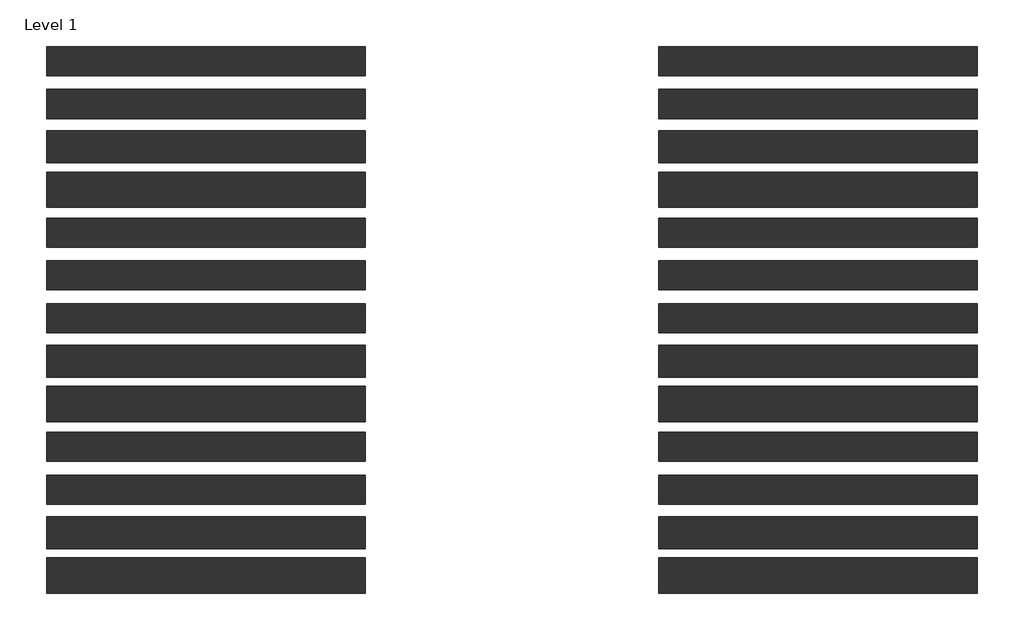
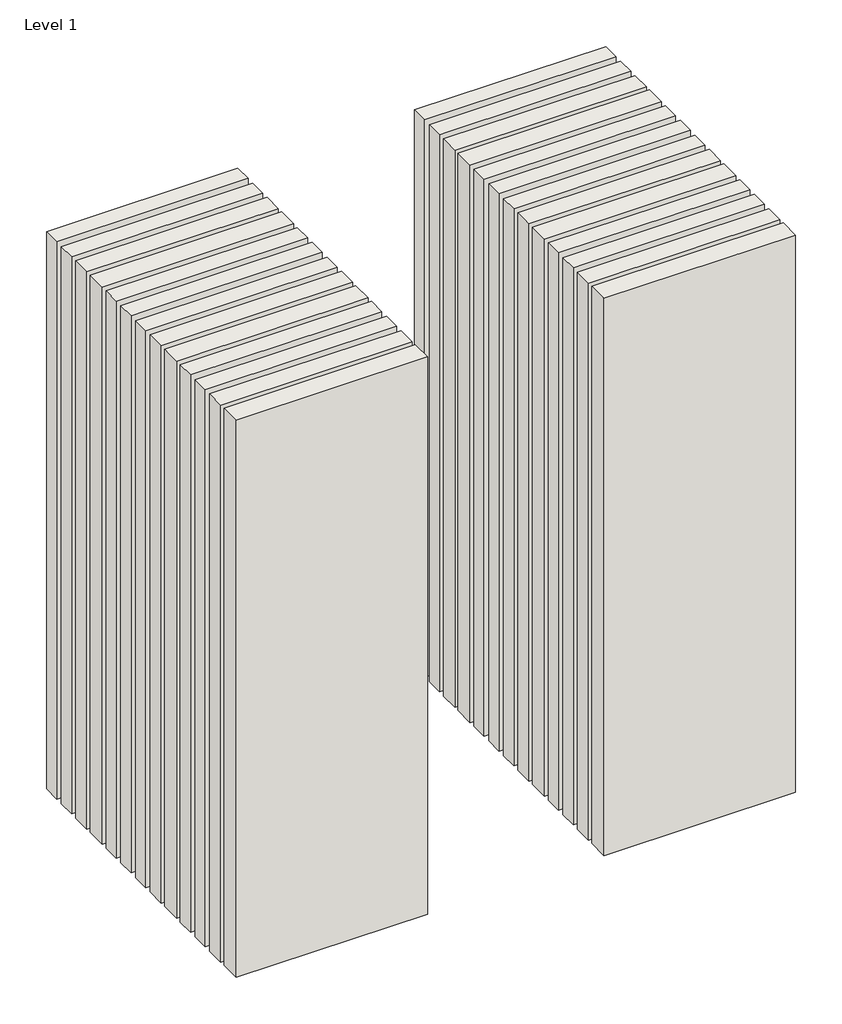
# One storey: 26 walls.
"""IFC4 building model written with IfcOpenShell, lengths in millimetres."""

import ifcopenshell
import ifcopenshell.guid

model = None  # the IFC model being written
_history = None  # IfcOwnerHistory: only IFC2X3 demands one
_inside = {}  # id of a spatial element -> (the spatial element, [elements in it])
_under = {}  # id of a project, library or spatial element -> (it, [spatial elements below it])
_declared = {}  # id of a project -> (the project, [libraries it declares])
_typed = {}  # id of a type object -> (the type object, [elements of that type])
_made_of = {}  # id of a material, layer set ... -> (it, [elements and type objects made of it])


def new_model(schema):
    """Start an empty IFC model of exactly this schema.

    Asked for "IFC4X3", IfcOpenShell would pick the latest addendum, in which some entities
    have other attributes; the version numbers below select the first issue.
    IFC2X3 requires an IfcOwnerHistory on every rooted entity: one is made here for all.
    """
    global model, _history
    if schema == "IFC4X3":
        model = ifcopenshell.file(schema_version=(4, 3, 0, 0))
    else:
        model = ifcopenshell.file(schema=schema)
    _inside.clear()
    _under.clear()
    _declared.clear()
    _typed.clear()
    _made_of.clear()
    _history = None
    if model.schema == "IFC2X3":
        org = make("IfcOrganization", Name="unknown")
        user = make(
            "IfcPersonAndOrganization",
            ThePerson=make("IfcPerson", FamilyName="unknown"),
            TheOrganization=org,
        )
        app = make(
            "IfcApplication",
            ApplicationDeveloper=org,
            Version="unknown",
            ApplicationFullName="unknown",
            ApplicationIdentifier="unknown",
        )
        _history = make(
            "IfcOwnerHistory",
            OwningUser=user,
            OwningApplication=app,
            ChangeAction="ADDED",
            CreationDate=0,
        )
    return model


def make(cls, **values):
    """One entity of the class cls with the attributes given. An attribute that is None is left unset."""
    return model.create_entity(
        cls, **{name: value for name, value in values.items() if value is not None}
    )


def rooted(cls, **values):
    """An entity with a GlobalId (a new one), such as an element, a storey or a relation."""
    return make(cls, GlobalId=ifcopenshell.guid.new(), OwnerHistory=_history, **values)


def si_unit(unit_type, name, prefix=None):
    """IfcSIUnit, for example si_unit("LENGTHUNIT", "METRE", prefix="MILLI")."""
    return make("IfcSIUnit", UnitType=unit_type, Prefix=prefix, Name=name)


def assignment(units):
    """IfcUnitAssignment: the units of a project."""
    return None if units is None else make("IfcUnitAssignment", Units=units)


def point(xyz):
    """IfcCartesianPoint."""
    return None if xyz is None else make("IfcCartesianPoint", Coordinates=xyz)


def direction(xyz):
    """IfcDirection."""
    return None if xyz is None else make("IfcDirection", DirectionRatios=xyz)


def frame(location, z_axis=None, x_axis=None):
    """IfcAxis2Placement3D, a coordinate frame: its origin and axes. An axis left out is left unset."""
    return make(
        "IfcAxis2Placement3D",
        Location=point(location),
        Axis=direction(z_axis),
        RefDirection=direction(x_axis),
    )


def origin():
    """The frame at (0, 0, 0) with its axes left unset."""
    return frame((0.0, 0.0, 0.0))


def origin_with_axes():
    """The frame at (0, 0, 0) with the z axis (0, 0, 1) and the x axis (1, 0, 0) written out."""
    return frame((0.0, 0.0, 0.0), z_axis=(0.0, 0.0, 1.0), x_axis=(1.0, 0.0, 0.0))


def place(relative_to, where):
    """IfcLocalPlacement: puts the frame where relative to a parent placement (None: the world)."""
    return make(
        "IfcLocalPlacement", PlacementRelTo=relative_to, RelativePlacement=where
    )


def context(
    kind, dimensions, precision=None, world=None, true_north=None, identifier=None
):
    """IfcGeometricRepresentationContext, for example the 3D "Model" context."""
    return make(
        "IfcGeometricRepresentationContext",
        ContextIdentifier=identifier,
        ContextType=kind,
        CoordinateSpaceDimension=dimensions,
        Precision=precision,
        WorldCoordinateSystem=world,
        TrueNorth=true_north,
    )


def project(units=None, contexts=None):
    """IfcProject with its units and contexts."""
    return rooted(
        "IfcProject",
        Name="project",
        RepresentationContexts=contexts,
        UnitsInContext=assignment(units),
    )


def spatial(cls, under=None, at=None, **own):
    """A site, building, storey or space (cls), placed at a placement, below another one or the project."""
    s = rooted(cls, ObjectPlacement=at, **own)
    if under is not None:
        _under.setdefault(under.id(), (under, []))[1].append(s)
    return s


def polyline(points):
    """IfcPolyline through the points."""
    return make("IfcPolyline", Points=[point(p) for p in points])


def outline(outer, holes=None, kind="AREA"):
    """IfcArbitraryClosedProfileDef: a profile drawn as a closed curve; with holes, ...WithVoids."""
    if holes is None:
        return make("IfcArbitraryClosedProfileDef", ProfileType=kind, OuterCurve=outer)
    return make(
        "IfcArbitraryProfileDefWithVoids",
        ProfileType=kind,
        OuterCurve=outer,
        InnerCurves=holes,
    )


def extrude(swept, where, along, depth):
    """IfcExtrudedAreaSolid: the profile swept, set in the frame where, extruded along a direction by depth."""
    return make(
        "IfcExtrudedAreaSolid",
        SweptArea=swept,
        Position=where,
        ExtrudedDirection=direction(along),
        Depth=depth,
    )


def shape(context_of_items, identifier, shape_type, items):
    """IfcShapeRepresentation: the items that make up one representation, for example the "Body"."""
    return make(
        "IfcShapeRepresentation",
        ContextOfItems=context_of_items,
        RepresentationIdentifier=identifier,
        RepresentationType=shape_type,
        Items=items,
    )


def made_of(thing, what):
    """Note that an element or type object is made of a material, layer set ...; save() writes the relation."""
    if what is not None:
        _made_of.setdefault(what.id(), (what, []))[1].append(thing)
    return thing


def element(
    cls,
    number,
    at=None,
    inside=None,
    cuts=None,
    type_object=None,
    material=None,
    context=None,
    identifier="Body",
    shape_type=None,
    held_by="IfcProductDefinitionShape",
    body=None,
    shapes=None,
    **own,
):
    """One element of the class cls, such as IfcWall. Its Tag is "e" and its number.

    at: its placement. inside: the storey or other place that contains it. cuts: it is an
    opening in that element (IfcRelVoidsElement). A single representation is given by context,
    identifier, shape_type and body (its items); several are given by shapes. held_by: the class
    of the entity that holds the representations. save() writes the other relations.
    """
    e = rooted(cls, Tag="e%d" % number, ObjectPlacement=at, **own)
    if body is not None:
        shapes = [shape(context, identifier, shape_type, body)]
    if shapes is not None:
        e.Representation = make(held_by, Representations=shapes)
    if inside is not None:
        _inside.setdefault(inside.id(), (inside, []))[1].append(e)
    if cuts is not None:
        rooted(
            "IfcRelVoidsElement", RelatingBuildingElement=cuts, RelatedOpeningElement=e
        )
    if type_object is not None:
        _typed.setdefault(type_object.id(), (type_object, []))[1].append(e)
    return made_of(e, material)


def aggregate(whole, parts):
    """IfcRelAggregates: a whole, such as a stair, and the parts it consists of."""
    return rooted("IfcRelAggregates", RelatingObject=whole, RelatedObjects=parts)


def save(model, path):
    """Write the relations noted so far, then the file.

    IfcRelAggregates (storeys below a building ...), IfcRelContainedInSpatialStructure (elements
    in a storey), IfcRelDefinesByType, IfcRelAssociatesMaterial and IfcRelDeclares: one each for
    every whole, place, type object, material and project.
    """
    for whole, parts in _under.values():
        aggregate(whole, parts)
    for where, things in _inside.values():
        rooted(
            "IfcRelContainedInSpatialStructure",
            RelatedElements=things,
            RelatingStructure=where,
        )
    for kind, things in _typed.values():
        rooted("IfcRelDefinesByType", RelatedObjects=things, RelatingType=kind)
    for what, things in _made_of.values():
        rooted("IfcRelAssociatesMaterial", RelatedObjects=things, RelatingMaterial=what)
    for by, libraries in _declared.values():
        rooted("IfcRelDeclares", RelatingContext=by, RelatedDefinitions=libraries)
    model.write(path)


model = new_model("IFC4")

# Units and contexts
model_context = context("Model", 3, world=origin())
ifc_project = project(units=[si_unit("LENGTHUNIT", "METRE", prefix="MILLI")], contexts=[model_context])

# Site, building, storey
site = spatial("IfcSite", under=ifc_project)
building = spatial("IfcBuilding", under=site)
storey = spatial("IfcBuildingStorey", under=building, Name="Level 1", Elevation=0.0)

# Walls
placement = place(None, origin())
element("IfcWall", 1, at=placement, inside=storey, context=model_context, shape_type="SweptSolid", body=[
    extrude(outline(polyline([(-16904.1464237, 6767.6542935), (-19504.1464237, 6767.6542935), (-19504.1464237, 7005.1542935), (-16904.1464237, 7005.1542935), (-16904.1464237, 6767.6542935)])), origin_with_axes(), (0.0, 0.0, 1.0), 8000.0),
])
element("IfcWall", 2, at=placement, inside=storey, context=model_context, shape_type="SweptSolid", body=[
    extrude(outline(polyline([(-16904.1464237, 6417.6542935), (-19504.1464237, 6417.6542935), (-19504.1464237, 6655.1542935), (-16904.1464237, 6655.1542935), (-16904.1464237, 6417.6542935)])), origin_with_axes(), (0.0, 0.0, 1.0), 8000.0),
])
element("IfcWall", 3, at=placement, inside=storey, context=model_context, shape_type="SweptSolid", body=[
    extrude(outline(polyline([(-16904.1464237, 6055.1542935), (-19504.1464237, 6055.1542935), (-19504.1464237, 6317.6542935), (-16904.1464237, 6317.6542935), (-16904.1464237, 6055.1542935)])), origin_with_axes(), (0.0, 0.0, 1.0), 8000.0),
])
element("IfcWall", 4, at=placement, inside=storey, context=model_context, shape_type="SweptSolid", body=[
    extrude(outline(polyline([(-16904.1464237, 5692.6542935), (-19504.1464237, 5692.6542935), (-19504.1464237, 5980.1542935), (-16904.1464237, 5980.1542935), (-16904.1464237, 5692.6542935)])), origin_with_axes(), (0.0, 0.0, 1.0), 8000.0),
])
element("IfcWall", 5, at=placement, inside=storey, context=model_context, shape_type="SweptSolid", body=[
    extrude(outline(polyline([(-16904.1464237, 5367.6542935), (-19504.1464237, 5367.6542935), (-19504.1464237, 5605.1542935), (-16904.1464237, 5605.1542935), (-16904.1464237, 5367.6542935)])), origin_with_axes(), (0.0, 0.0, 1.0), 8000.0),
])
element("IfcWall", 6, at=placement, inside=storey, context=model_context, shape_type="SweptSolid", body=[
    extrude(outline(polyline([(-16904.1464237, 5017.6542935), (-19504.1464237, 5017.6542935), (-19504.1464237, 5255.1542935), (-16904.1464237, 5255.1542935), (-16904.1464237, 5017.6542935)])), origin_with_axes(), (0.0, 0.0, 1.0), 8000.0),
])
element("IfcWall", 7, at=placement, inside=storey, context=model_context, shape_type="SweptSolid", body=[
    extrude(outline(polyline([(-16904.1464237, 4667.6542935), (-19504.1464237, 4667.6542935), (-19504.1464237, 4905.1542935), (-16904.1464237, 4905.1542935), (-16904.1464237, 4667.6542935)])), origin_with_axes(), (0.0, 0.0, 1.0), 8000.0),
])
element("IfcWall", 8, at=placement, inside=storey, context=model_context, shape_type="SweptSolid", body=[
    extrude(outline(polyline([(-16904.1464237, 4305.1542935), (-19504.1464237, 4305.1542935), (-19504.1464237, 4567.6542935), (-16904.1464237, 4567.6542935), (-16904.1464237, 4305.1542935)])), origin_with_axes(), (0.0, 0.0, 1.0), 8000.0),
])
element("IfcWall", 9, at=placement, inside=storey, context=model_context, shape_type="SweptSolid", body=[
    extrude(outline(polyline([(-16904.1464237, 3942.6542935), (-19504.1464237, 3942.6542935), (-19504.1464237, 4230.1542935), (-16904.1464237, 4230.1542935), (-16904.1464237, 3942.6542935)])), origin_with_axes(), (0.0, 0.0, 1.0), 8000.0),
])
element("IfcWall", 10, at=placement, inside=storey, context=model_context, shape_type="SweptSolid", body=[
    extrude(outline(polyline([(-16904.1464237, 3617.6542935), (-19504.1464237, 3617.6542935), (-19504.1464237, 3855.1542935), (-16904.1464237, 3855.1542935), (-16904.1464237, 3617.6542935)])), origin_with_axes(), (0.0, 0.0, 1.0), 8000.0),
])
element("IfcWall", 11, at=placement, inside=storey, context=model_context, shape_type="SweptSolid", body=[
    extrude(outline(polyline([(-16904.1464237, 3267.6542935), (-19504.1464237, 3267.6542935), (-19504.1464237, 3505.1542935), (-16904.1464237, 3505.1542935), (-16904.1464237, 3267.6542935)])), origin_with_axes(), (0.0, 0.0, 1.0), 8000.0),
])
element("IfcWall", 12, at=placement, inside=storey, context=model_context, shape_type="SweptSolid", body=[
    extrude(outline(polyline([(-16904.1464237, 2905.1542935), (-19504.1464237, 2905.1542935), (-19504.1464237, 3167.6542935), (-16904.1464237, 3167.6542935), (-16904.1464237, 2905.1542935)])), origin_with_axes(), (0.0, 0.0, 1.0), 8000.0),
])
element("IfcWall", 13, at=placement, inside=storey, context=model_context, shape_type="SweptSolid", body=[
    extrude(outline(polyline([(-16904.1464237, 2542.6542935), (-19504.1464237, 2542.6542935), (-19504.1464237, 2830.1542935), (-16904.1464237, 2830.1542935), (-16904.1464237, 2542.6542935)])), origin_with_axes(), (0.0, 0.0, 1.0), 8000.0),
])
element("IfcWall", 14, at=placement, inside=storey, context=model_context, shape_type="SweptSolid", body=[
    extrude(outline(polyline([(-11904.1464237, 6767.6542935), (-14504.1464237, 6767.6542935), (-14504.1464237, 7005.1542935), (-11904.1464237, 7005.1542935), (-11904.1464237, 6767.6542935)])), origin_with_axes(), (0.0, 0.0, 1.0), 8000.0),
])
element("IfcWall", 15, at=placement, inside=storey, context=model_context, shape_type="SweptSolid", body=[
    extrude(outline(polyline([(-11904.1464237, 6417.6542935), (-14504.1464237, 6417.6542935), (-14504.1464237, 6655.1542935), (-11904.1464237, 6655.1542935), (-11904.1464237, 6417.6542935)])), origin_with_axes(), (0.0, 0.0, 1.0), 8000.0),
])
element("IfcWall", 16, at=placement, inside=storey, context=model_context, shape_type="SweptSolid", body=[
    extrude(outline(polyline([(-11904.1464237, 6055.1542935), (-14504.1464237, 6055.1542935), (-14504.1464237, 6317.6542935), (-11904.1464237, 6317.6542935), (-11904.1464237, 6055.1542935)])), origin_with_axes(), (0.0, 0.0, 1.0), 8000.0),
])
element("IfcWall", 17, at=placement, inside=storey, context=model_context, shape_type="SweptSolid", body=[
    extrude(outline(polyline([(-11904.1464237, 5692.6542935), (-14504.1464237, 5692.6542935), (-14504.1464237, 5980.1542935), (-11904.1464237, 5980.1542935), (-11904.1464237, 5692.6542935)])), origin_with_axes(), (0.0, 0.0, 1.0), 8000.0),
])
element("IfcWall", 18, at=placement, inside=storey, context=model_context, shape_type="SweptSolid", body=[
    extrude(outline(polyline([(-11904.1464237, 5367.6542935), (-14504.1464237, 5367.6542935), (-14504.1464237, 5605.1542935), (-11904.1464237, 5605.1542935), (-11904.1464237, 5367.6542935)])), origin_with_axes(), (0.0, 0.0, 1.0), 8000.0),
])
element("IfcWall", 19, at=placement, inside=storey, context=model_context, shape_type="SweptSolid", body=[
    extrude(outline(polyline([(-11904.1464237, 5017.6542935), (-14504.1464237, 5017.6542935), (-14504.1464237, 5255.1542935), (-11904.1464237, 5255.1542935), (-11904.1464237, 5017.6542935)])), origin_with_axes(), (0.0, 0.0, 1.0), 8000.0),
])
element("IfcWall", 20, at=placement, inside=storey, context=model_context, shape_type="SweptSolid", body=[
    extrude(outline(polyline([(-11904.1464237, 4667.6542935), (-14504.1464237, 4667.6542935), (-14504.1464237, 4905.1542935), (-11904.1464237, 4905.1542935), (-11904.1464237, 4667.6542935)])), origin_with_axes(), (0.0, 0.0, 1.0), 8000.0),
])
element("IfcWall", 21, at=placement, inside=storey, context=model_context, shape_type="SweptSolid", body=[
    extrude(outline(polyline([(-11904.1464237, 4305.1542935), (-14504.1464237, 4305.1542935), (-14504.1464237, 4567.6542935), (-11904.1464237, 4567.6542935), (-11904.1464237, 4305.1542935)])), origin_with_axes(), (0.0, 0.0, 1.0), 8000.0),
])
element("IfcWall", 22, at=placement, inside=storey, context=model_context, shape_type="SweptSolid", body=[
    extrude(outline(polyline([(-11904.1464237, 3942.6542935), (-14504.1464237, 3942.6542935), (-14504.1464237, 4230.1542935), (-11904.1464237, 4230.1542935), (-11904.1464237, 3942.6542935)])), origin_with_axes(), (0.0, 0.0, 1.0), 8000.0),
])
element("IfcWall", 23, at=placement, inside=storey, context=model_context, shape_type="SweptSolid", body=[
    extrude(outline(polyline([(-11904.1464237, 3617.6542935), (-14504.1464237, 3617.6542935), (-14504.1464237, 3855.1542935), (-11904.1464237, 3855.1542935), (-11904.1464237, 3617.6542935)])), origin_with_axes(), (0.0, 0.0, 1.0), 8000.0),
])
element("IfcWall", 24, at=placement, inside=storey, context=model_context, shape_type="SweptSolid", body=[
    extrude(outline(polyline([(-11904.1464237, 3267.6542935), (-14504.1464237, 3267.6542935), (-14504.1464237, 3505.1542935), (-11904.1464237, 3505.1542935), (-11904.1464237, 3267.6542935)])), origin_with_axes(), (0.0, 0.0, 1.0), 8000.0),
])
element("IfcWall", 25, at=placement, inside=storey, context=model_context, shape_type="SweptSolid", body=[
    extrude(outline(polyline([(-11904.1464237, 2905.1542935), (-14504.1464237, 2905.1542935), (-14504.1464237, 3167.6542935), (-11904.1464237, 3167.6542935), (-11904.1464237, 2905.1542935)])), origin_with_axes(), (0.0, 0.0, 1.0), 8000.0),
])
element("IfcWall", 26, at=placement, inside=storey, context=model_context, shape_type="SweptSolid", body=[
    extrude(outline(polyline([(-11904.1464237, 2542.6542935), (-14504.1464237, 2542.6542935), (-14504.1464237, 2830.1542935), (-11904.1464237, 2830.1542935), (-11904.1464237, 2542.6542935)])), origin_with_axes(), (0.0, 0.0, 1.0), 8000.0),
])

save(model, "model.ifc")
